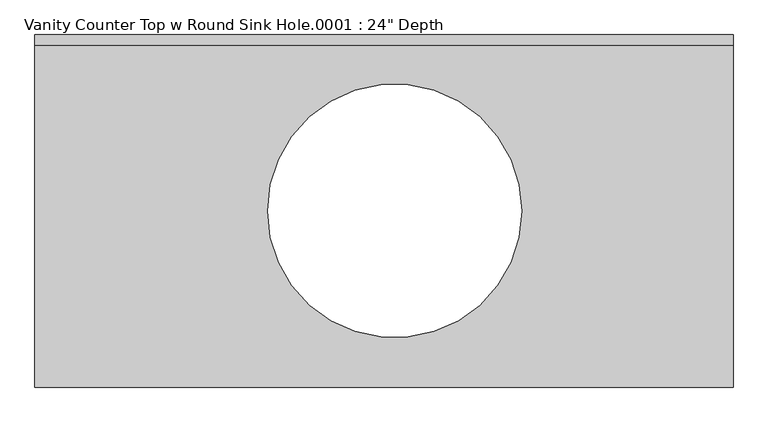
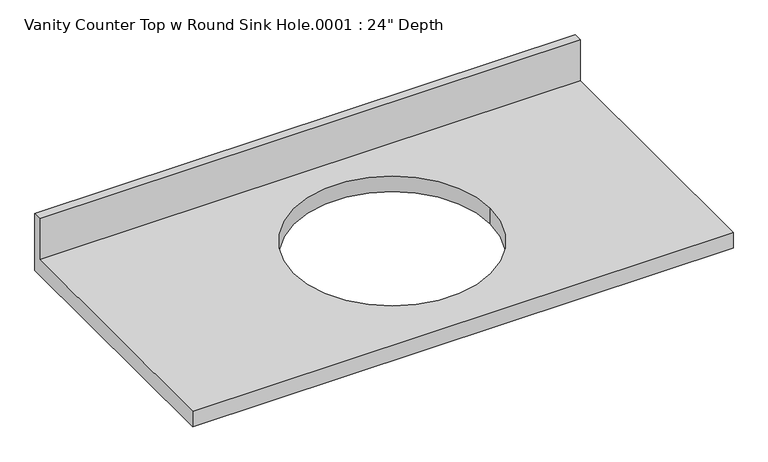
"""IFC4 building model written with IfcOpenShell, lengths in millimetres: furniture geometry."""

from ifc_helpers import new_model, si_unit, frame, origin, place, context, project, spatial, polyline, circle_curve, source, transform, mapped, element, save
from ifc_brep_helpers import plane_surface, revolved_surface, advanced_brep


def furniture_d7d15521(model_context):
    return source(origin(), model_context, "Body", "AdvancedBrep", [
        advanced_brep(
        [(-1327.4622951, -635.0, 787.4), (-70.1622951, -635.0, 787.4), (-70.1622951, -19.05, 787.4), (-1327.4622951, -19.05, 787.4), (-451.1622951, -317.5, 787.4), (-908.3622951, -317.5, 787.4), (-70.1622951, 0.0, 749.3), (-70.1622951, -635.0, 749.3), (-1327.4622951, -635.0, 749.3), (-1327.4622951, 0.0, 749.3), (-908.3622951, -317.5, 749.3), (-451.1622951, -317.5, 749.3), (-1327.4622951, 0.0, 889.0), (-70.1622951, 0.0, 889.0), (-1327.4622951, -19.05, 889.0), (-70.1622951, -19.05, 889.0)],
        [
            (0, 1),
            (1, 2),
            (2, 3),
            (3, 0),
            (4, 5, circle_curve(frame((-679.7622951, -317.5, 787.4), z_axis=(0.0, 0.0, -1.0), x_axis=(1.0, 0.0, 0.0)), 228.6)),
            (5, 4, circle_curve(frame((-679.7622951, -317.5, 787.4), z_axis=(0.0, 0.0, -1.0), x_axis=(1.0, 0.0, 0.0)), 228.6)),
            (6, 7),
            (7, 8),
            (8, 9),
            (9, 6),
            (10, 11, circle_curve(frame((-679.7622951, -317.5, 749.3), z_axis=(0.0, 0.0, 1.0), x_axis=(1.0, 0.0, 0.0)), 228.6)),
            (11, 10, circle_curve(frame((-679.7622951, -317.5, 749.3), z_axis=(0.0, 0.0, 1.0), x_axis=(1.0, 0.0, 0.0)), 228.6)),
            (9, 12),
            (12, 13),
            (13, 6),
            (8, 0),
            (3, 14),
            (14, 12),
            (7, 1),
            (13, 15),
            (15, 2),
            (14, 15),
            (4, 11),
            (10, 5),
        ],
        [
            plane_surface(frame((-1327.4622951, 0.0, 787.4), z_axis=(0.0, 0.0, 1.0), x_axis=(-1.0, 0.0, 0.0))),
            plane_surface(frame((-1327.4622951, 0.0, 749.3), z_axis=(0.0, 0.0, -1.0), x_axis=(1.0, 0.0, 0.0))),
            plane_surface(frame((-70.1622951, 0.0, 787.4), z_axis=(0.0, 1.0, 0.0), x_axis=(0.0, 0.0, -1.0))),
            plane_surface(frame((-1327.4622951, 0.0, 787.4), z_axis=(-1.0, 0.0, 0.0), x_axis=(0.0, 0.0, -1.0))),
            plane_surface(frame((-1327.4622951, -635.0, 787.4), z_axis=(0.0, -1.0, 0.0), x_axis=(0.0, 0.0, -1.0))),
            plane_surface(frame((-70.1622951, -635.0, 787.4), z_axis=(1.0, 0.0, 0.0), x_axis=(0.0, 0.0, -1.0))),
            plane_surface(frame((-1327.4622951, 0.0, 889.0), z_axis=(0.0, 0.0, 1.0), x_axis=(0.0, -1.0, 0.0))),
            plane_surface(frame((-1327.4622951, -19.05, 889.0), z_axis=(0.0, -1.0, 0.0), x_axis=(0.0, 0.0, -1.0))),
            revolved_surface(polyline([(-451.16229509999994, -317.5, 787.4), (-451.16229509999994, -317.5, 749.3)]), (-679.7622951, -317.5, 749.3), (0.0, 0.0, 1.0)),
        ],
        [
            (0, [[1, 2, 3, 4], [5, 6]]),
            (1, [[7, 8, 9, 10], [11, 12]]),
            (2, [[-10, 13, 14, 15]]),
            (3, [[-9, 16, -4, 17, 18, -13]]),
            (4, [[-1, -16, -8, 19]]),
            (5, [[-7, -15, 20, 21, -2, -19]]),
            (6, [[-18, 22, -20, -14]]),
            (7, [[-22, -17, -3, -21]]),
            (8, [[23, -11, 24, -5]]),
            (8, [[-23, -6, -24, -12]]),
        ],
    ),
    ])


if __name__ == "__main__":
    model = new_model("IFC4")
    model_context = context("Model", 3, world=origin())
    ifc_project = project(units=[si_unit("LENGTHUNIT", "METRE", prefix="MILLI")], contexts=[model_context])
    site = spatial("IfcSite", under=ifc_project)
    building = spatial("IfcBuilding", under=site)
    placement = place(None, origin())
    furniture_shape = furniture_d7d15521(model_context)
    element("IfcFurniture", 1, ObjectType="Vanity Counter Top w Round Sink Hole.0001 : 24\" Depth", at=placement, inside=building, context=model_context, shape_type="MappedRepresentation", body=[
        mapped(furniture_shape, transform((0.0, 0.0, 0.0), x_axis=(1.0, 0.0, 0.0), y_axis=(0.0, 1.0, 0.0), z_axis=(0.0, 0.0, 1.0))),
    ])
    save(model, "model.ifc")
